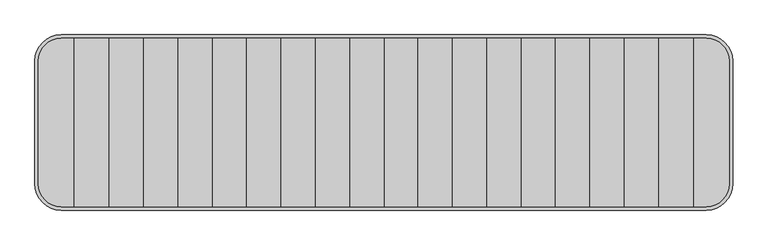
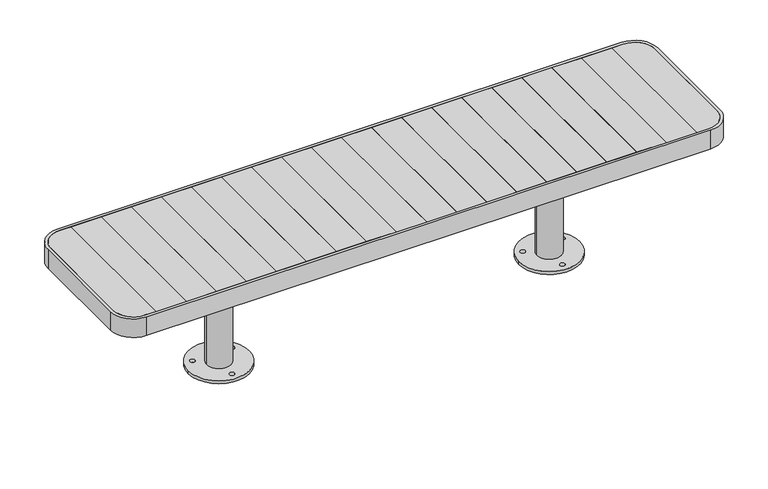
"""IFC4 building model written with IfcOpenShell, lengths in millimetres: furniture geometry."""

from ifc_helpers import new_model, si_unit, point, frame, frame_2d, origin, origin_with_axes, place, context, project, spatial, polyline, circle_curve, trimmed, segment, composite_curve, outline, extrude, source, transform, mapped, element, save
from ifc_brep_helpers import plane_surface, cylinder_surface, advanced_brep


def furniture_f9830a5c(model_context):
    return source(origin(), model_context, "Body", "SolidModel", [
        extrude(outline(polyline([(-789.6, -242.0), (-888.3, -242.0), (-888.3, 242.0), (-789.6, 242.0), (-789.6, -242.0)])), frame((0.0, 0.0, 422.0), z_axis=(0.0, 0.0, 1.0), x_axis=(1.0, 0.0, 0.0)), (0.0, 0.0, 1.0), 28.0),
        extrude(outline(polyline([(-690.9, -242.0), (-789.6, -242.0), (-789.6, 242.0), (-690.9, 242.0), (-690.9, -242.0)])), frame((0.0, 0.0, 422.0), z_axis=(0.0, 0.0, 1.0), x_axis=(1.0, 0.0, 0.0)), (0.0, 0.0, 1.0), 28.0),
        extrude(outline(polyline([(-592.2, -242.0), (-690.9, -242.0), (-690.9, 242.0), (-592.2, 242.0), (-592.2, -242.0)])), frame((0.0, 0.0, 422.0), z_axis=(0.0, 0.0, 1.0), x_axis=(1.0, 0.0, 0.0)), (0.0, 0.0, 1.0), 28.0),
        extrude(outline(polyline([(-493.5, -242.0), (-592.2, -242.0), (-592.2, 242.0), (-493.5, 242.0), (-493.5, -242.0)])), frame((0.0, 0.0, 422.0), z_axis=(0.0, 0.0, 1.0), x_axis=(1.0, 0.0, 0.0)), (0.0, 0.0, 1.0), 28.0),
        extrude(outline(polyline([(-394.8, -242.0), (-493.5, -242.0), (-493.5, 242.0), (-394.8, 242.0), (-394.8, -242.0)])), frame((0.0, 0.0, 422.0), z_axis=(0.0, 0.0, 1.0), x_axis=(1.0, 0.0, 0.0)), (0.0, 0.0, 1.0), 28.0),
        extrude(outline(polyline([(-296.1, -242.0), (-394.8, -242.0), (-394.8, 242.0), (-296.1, 242.0), (-296.1, -242.0)])), frame((0.0, 0.0, 422.0), z_axis=(0.0, 0.0, 1.0), x_axis=(1.0, 0.0, 0.0)), (0.0, 0.0, 1.0), 28.0),
        extrude(outline(composite_curve([segment(polyline([(-991.9176702, -177.0), (-991.9176702, 177.0)]), True, "CONTINUOUS"), segment(trimmed(circle_curve(frame_2d((-926.9176702, 177.0)), 65.0), [point((-991.9176702, 177.0))], [point((-926.9176702, 242.0))], False, "CARTESIAN"), True, "CONTINUOUS"), segment(polyline([(-926.9176702, 242.0), (-888.3, 242.0), (-888.3, -242.0), (-926.9176702, -242.0)]), True, "CONTINUOUS"), segment(trimmed(circle_curve(frame_2d((-926.9176702, -177.0)), 65.0), [point((-926.9176702, -242.0))], [point((-991.9176702, -177.0))], False, "CARTESIAN"), True, "CONTINUOUS")], self_intersect=False)), frame((0.0, 0.0, 422.0), z_axis=(0.0, 0.0, 1.0), x_axis=(1.0, 0.0, 0.0)), (0.0, 0.0, 1.0), 28.0),
        extrude(outline(polyline([(-197.4, -242.0), (-296.1, -242.0), (-296.1, 242.0), (-197.4, 242.0), (-197.4, -242.0)])), frame((0.0, 0.0, 422.0), z_axis=(0.0, 0.0, 1.0), x_axis=(1.0, 0.0, 0.0)), (0.0, 0.0, 1.0), 28.0),
        extrude(outline(polyline([(-98.7, -242.0), (-197.4, -242.0), (-197.4, 242.0), (-98.7, 242.0), (-98.7, -242.0)])), frame((0.0, 0.0, 422.0), z_axis=(0.0, 0.0, 1.0), x_axis=(1.0, 0.0, 0.0)), (0.0, 0.0, 1.0), 28.0),
        extrude(outline(polyline([(0.0, -242.0), (-98.7, -242.0), (-98.7, 242.0), (0.0, 242.0), (0.0, -242.0)])), frame((0.0, 0.0, 422.0), z_axis=(0.0, 0.0, 1.0), x_axis=(1.0, 0.0, 0.0)), (0.0, 0.0, 1.0), 28.0),
        extrude(outline(polyline([(888.3, -242.0), (789.6, -242.0), (789.6, 242.0), (888.3, 242.0), (888.3, -242.0)])), frame((0.0, 0.0, 422.0), z_axis=(0.0, 0.0, 1.0), x_axis=(1.0, 0.0, 0.0)), (0.0, 0.0, 1.0), 28.0),
        extrude(outline(polyline([(789.6, -242.0), (690.9, -242.0), (690.9, 242.0), (789.6, 242.0), (789.6, -242.0)])), frame((0.0, 0.0, 422.0), z_axis=(0.0, 0.0, 1.0), x_axis=(1.0, 0.0, 0.0)), (0.0, 0.0, 1.0), 28.0),
        extrude(outline(polyline([(690.9, -242.0), (592.2, -242.0), (592.2, 242.0), (690.9, 242.0), (690.9, -242.0)])), frame((0.0, 0.0, 422.0), z_axis=(0.0, 0.0, 1.0), x_axis=(1.0, 0.0, 0.0)), (0.0, 0.0, 1.0), 28.0),
        extrude(outline(polyline([(592.2, -242.0), (493.5, -242.0), (493.5, 242.0), (592.2, 242.0), (592.2, -242.0)])), frame((0.0, 0.0, 422.0), z_axis=(0.0, 0.0, 1.0), x_axis=(1.0, 0.0, 0.0)), (0.0, 0.0, 1.0), 28.0),
        extrude(outline(polyline([(493.5, -242.0), (394.8, -242.0), (394.8, 242.0), (493.5, 242.0), (493.5, -242.0)])), frame((0.0, 0.0, 422.0), z_axis=(0.0, 0.0, 1.0), x_axis=(1.0, 0.0, 0.0)), (0.0, 0.0, 1.0), 28.0),
        extrude(outline(polyline([(394.8, -242.0), (296.1, -242.0), (296.1, 242.0), (394.8, 242.0), (394.8, -242.0)])), frame((0.0, 0.0, 422.0), z_axis=(0.0, 0.0, 1.0), x_axis=(1.0, 0.0, 0.0)), (0.0, 0.0, 1.0), 28.0),
        extrude(outline(composite_curve([segment(trimmed(circle_curve(frame_2d((926.9176702, -177.0)), 65.0), [point((991.9176702, -177.0))], [point((926.9176702, -242.0))], False, "CARTESIAN"), True, "CONTINUOUS"), segment(polyline([(926.9176702, -242.0), (888.3, -242.0), (888.3, 242.0), (926.9176702, 242.0)]), True, "CONTINUOUS"), segment(trimmed(circle_curve(frame_2d((926.9176702, 177.0)), 65.0), [point((926.9176702, 242.0))], [point((991.9176702, 177.0))], False, "CARTESIAN"), True, "CONTINUOUS"), segment(polyline([(991.9176702, 177.0), (991.9176702, -177.0)]), True, "CONTINUOUS")], self_intersect=False)), frame((0.0, 0.0, 422.0), z_axis=(0.0, 0.0, 1.0), x_axis=(1.0, 0.0, 0.0)), (0.0, 0.0, 1.0), 28.0),
        extrude(outline(polyline([(296.1, -242.0), (197.4, -242.0), (197.4, 242.0), (296.1, 242.0), (296.1, -242.0)])), frame((0.0, 0.0, 422.0), z_axis=(0.0, 0.0, 1.0), x_axis=(1.0, 0.0, 0.0)), (0.0, 0.0, 1.0), 28.0),
        extrude(outline(polyline([(197.4, -242.0), (98.7, -242.0), (98.7, 242.0), (197.4, 242.0), (197.4, -242.0)])), frame((0.0, 0.0, 422.0), z_axis=(0.0, 0.0, 1.0), x_axis=(1.0, 0.0, 0.0)), (0.0, 0.0, 1.0), 28.0),
        extrude(outline(polyline([(98.7, -242.0), (0.0, -242.0), (0.0, 242.0), (98.7, 242.0), (98.7, -242.0)])), frame((0.0, 0.0, 422.0), z_axis=(0.0, 0.0, 1.0), x_axis=(1.0, 0.0, 0.0)), (0.0, 0.0, 1.0), 28.0),
        extrude(outline(composite_curve([segment(trimmed(circle_curve(frame_2d((542.85, 0.0)), 100.0), [point((642.85, 0.0))], [point((442.85, 0.0))], False, "CARTESIAN"), True, "CONTINUOUS"), segment(trimmed(circle_curve(frame_2d((542.85, 0.0)), 100.0), [point((442.85, 0.0))], [point((642.85, 0.0))], False, "CARTESIAN"), True, "CONTINUOUS")], self_intersect=False), holes=[composite_curve([segment(trimmed(circle_curve(frame_2d((607.8071886, 37.4460209)), 8.0), [point((615.8071886, 37.4460209))], [point((599.8071886, 37.4460209))], True, "CARTESIAN"), True, "CONTINUOUS"), segment(trimmed(circle_curve(frame_2d((607.8071886, 37.4460209)), 8.0), [point((599.8071886, 37.4460209))], [point((615.8071886, 37.4460209))], True, "CARTESIAN"), True, "CONTINUOUS")], self_intersect=False), composite_curve([segment(trimmed(circle_curve(frame_2d((477.8071886, 37.4460209)), 8.0), [point((485.8071886, 37.4460209))], [point((469.8071886, 37.4460209))], True, "CARTESIAN"), True, "CONTINUOUS"), segment(trimmed(circle_curve(frame_2d((477.8071886, 37.4460209)), 8.0), [point((469.8071886, 37.4460209))], [point((485.8071886, 37.4460209))], True, "CARTESIAN"), True, "CONTINUOUS")], self_intersect=False), composite_curve([segment(trimmed(circle_curve(frame_2d((542.8071886, -75.1372816)), 8.0), [point((550.8071886, -75.1372816))], [point((534.8071886, -75.1372816))], True, "CARTESIAN"), True, "CONTINUOUS"), segment(trimmed(circle_curve(frame_2d((542.8071886, -75.1372816)), 8.0), [point((534.8071886, -75.1372816))], [point((550.8071886, -75.1372816))], True, "CARTESIAN"), True, "CONTINUOUS")], self_intersect=False)]), origin_with_axes(), (0.0, 0.0, 1.0), 9.9997207),
        extrude(outline(composite_curve([segment(trimmed(circle_curve(frame_2d((542.8271918, 0.0)), 40.0), [point((582.8271918, 0.0))], [point((502.8271918, 0.0))], False, "CARTESIAN"), True, "CONTINUOUS"), segment(trimmed(circle_curve(frame_2d((542.8271918, 0.0)), 40.0), [point((502.8271918, 0.0))], [point((582.8271918, 0.0))], False, "CARTESIAN"), True, "CONTINUOUS")], self_intersect=False)), origin_with_axes(), (0.0, 0.0, 1.0), 418.0),
        extrude(outline(composite_curve([segment(trimmed(circle_curve(frame_2d((-542.85, 0.0)), 100.0), [point((-642.85, 0.0))], [point((-442.85, 0.0))], False, "CARTESIAN"), True, "CONTINUOUS"), segment(trimmed(circle_curve(frame_2d((-542.85, 0.0)), 100.0), [point((-442.85, 0.0))], [point((-642.85, 0.0))], False, "CARTESIAN"), True, "CONTINUOUS")], self_intersect=False), holes=[composite_curve([segment(trimmed(circle_curve(frame_2d((-607.8071886, 37.4460209)), 8.0), [point((-615.8071886, 37.4460209))], [point((-599.8071886, 37.4460209))], True, "CARTESIAN"), True, "CONTINUOUS"), segment(trimmed(circle_curve(frame_2d((-607.8071886, 37.4460209)), 8.0), [point((-599.8071886, 37.4460209))], [point((-615.8071886, 37.4460209))], True, "CARTESIAN"), True, "CONTINUOUS")], self_intersect=False), composite_curve([segment(trimmed(circle_curve(frame_2d((-477.8071886, 37.4460209)), 8.0), [point((-485.8071886, 37.4460209))], [point((-469.8071886, 37.4460209))], True, "CARTESIAN"), True, "CONTINUOUS"), segment(trimmed(circle_curve(frame_2d((-477.8071886, 37.4460209)), 8.0), [point((-469.8071886, 37.4460209))], [point((-485.8071886, 37.4460209))], True, "CARTESIAN"), True, "CONTINUOUS")], self_intersect=False), composite_curve([segment(trimmed(circle_curve(frame_2d((-542.8071886, -75.1372816)), 8.0), [point((-550.8071886, -75.1372816))], [point((-534.8071886, -75.1372816))], True, "CARTESIAN"), True, "CONTINUOUS"), segment(trimmed(circle_curve(frame_2d((-542.8071886, -75.1372816)), 8.0), [point((-534.8071886, -75.1372816))], [point((-550.8071886, -75.1372816))], True, "CARTESIAN"), True, "CONTINUOUS")], self_intersect=False)]), origin_with_axes(), (0.0, 0.0, 1.0), 9.9997207),
        extrude(outline(composite_curve([segment(trimmed(circle_curve(frame_2d((-542.8271918, 0.0)), 40.0), [point((-582.8271918, 0.0))], [point((-502.8271918, 0.0))], False, "CARTESIAN"), True, "CONTINUOUS"), segment(trimmed(circle_curve(frame_2d((-542.8271918, 0.0)), 40.0), [point((-502.8271918, 0.0))], [point((-582.8271918, 0.0))], False, "CARTESIAN"), True, "CONTINUOUS")], self_intersect=False)), origin_with_axes(), (0.0, 0.0, 1.0), 418.0),
        advanced_brep(
        [(-991.9176702, 177.0, 422.0), (-991.9176702, -177.0, 422.0), (-926.9176702, -242.0, 422.0), (926.9176702, -242.0, 422.0), (991.9176702, -177.0, 422.0), (991.9176702, 177.0, 422.0), (926.9176702, 242.0, 422.0), (-926.9176702, 242.0, 422.0), (893.3, 141.9868511, 422.0), (893.3, -142.0, 422.0), (583.3785308, -142.0, 422.0), (583.3785308, 142.0, 422.0), (-893.3, -142.0, 422.0), (-893.3, 141.9868511, 422.0), (-583.3785308, 141.9868511, 422.0), (-583.3785308, -142.0, 422.0), (-502.3618569, 141.9868511, 422.0), (502.3618569, 141.9868511, 422.0), (502.3618569, -142.0, 422.0), (-502.3618569, -142.0, 422.0), (-991.9176702, 177.0, 418.0), (-926.9176702, 242.0, 418.0), (926.9176702, 242.0, 418.0), (991.9176702, 177.0, 418.0), (991.9176702, -177.0, 418.0), (926.9176702, -242.0, 418.0), (-926.9176702, -242.0, 418.0), (-991.9176702, -177.0, 418.0), (893.3, -142.0, 418.0), (893.3, 141.9868511, 418.0), (583.3785308, 141.9868511, 418.0), (583.3785308, -142.0, 418.0), (-893.3, 141.9868511, 418.0), (-893.3, -142.0, 418.0), (-583.3785308, -142.0, 418.0), (-583.3785308, 142.0, 418.0), (-502.3618569, -142.0, 418.0), (502.3618569, -142.0, 418.0), (502.3618569, 142.0, 418.0), (-502.3618569, 141.9868511, 418.0)],
        [
            (0, 1),
            (1, 2, circle_curve(frame((-926.9176702, -177.0, 422.0), z_axis=(0.0, 0.0, 1.0), x_axis=(1.0, 0.0, 0.0)), 65.0)),
            (2, 3),
            (3, 4, circle_curve(frame((926.9176702, -177.0, 422.0), z_axis=(0.0, 0.0, 1.0), x_axis=(-1.0, 0.0, 0.0)), 65.0)),
            (4, 5),
            (5, 6, circle_curve(frame((926.9176702, 177.0, 422.0), z_axis=(0.0, 0.0, 1.0), x_axis=(-1.0, 0.0, 0.0)), 65.0)),
            (6, 7),
            (7, 0, circle_curve(frame((-926.9176702, 177.0, 422.0), z_axis=(0.0, 0.0, 1.0), x_axis=(1.0, 0.0, 0.0)), 65.0)),
            (8, 9),
            (9, 10),
            (10, 11),
            (11, 8),
            (12, 13),
            (13, 14),
            (14, 15),
            (15, 12),
            (16, 17),
            (17, 18),
            (18, 19),
            (19, 16),
            (20, 21, circle_curve(frame((-926.9176702, 177.0, 418.0), z_axis=(0.0, 0.0, -1.0), x_axis=(1.0, 0.0, 0.0)), 65.0)),
            (21, 22),
            (22, 23, circle_curve(frame((926.9176702, 177.0, 418.0), z_axis=(0.0, 0.0, -1.0), x_axis=(-1.0, 0.0, 0.0)), 65.0)),
            (23, 24),
            (24, 25, circle_curve(frame((926.9176702, -177.0, 418.0), z_axis=(0.0, 0.0, -1.0), x_axis=(-1.0, 0.0, 0.0)), 65.0)),
            (25, 26),
            (26, 27, circle_curve(frame((-926.9176702, -177.0, 418.0), z_axis=(0.0, 0.0, -1.0), x_axis=(1.0, 0.0, 0.0)), 65.0)),
            (27, 20),
            (28, 29),
            (29, 30),
            (30, 31),
            (31, 28),
            (32, 33),
            (33, 34),
            (34, 35),
            (35, 32),
            (36, 37),
            (37, 38),
            (38, 39),
            (39, 36),
            (0, 20),
            (27, 1),
            (26, 2),
            (25, 3),
            (24, 4),
            (23, 5),
            (22, 6),
            (21, 7),
            (29, 8),
            (11, 30),
            (13, 32),
            (35, 14),
            (16, 39),
            (38, 17),
            (28, 9),
            (31, 10),
            (33, 12),
            (15, 34),
            (36, 19),
            (18, 37),
        ],
        [
            plane_surface(frame((-991.9176702, -177.0, 422.0), z_axis=(0.0, 0.0, 1.0), x_axis=(0.0, -1.0, 0.0))),
            plane_surface(frame((-991.9176702, -177.0, 418.0), z_axis=(0.0, 0.0, -1.0), x_axis=(0.0, 1.0, 0.0))),
            plane_surface(frame((-991.9176702, 177.0, 422.0), z_axis=(-1.0, 0.0, 0.0), x_axis=(0.0, 0.0, -1.0))),
            cylinder_surface(frame((-926.9176702, -177.0, 418.0), z_axis=(0.0, 0.0, 1.0), x_axis=(1.0, 0.0, 0.0)), 65.0),
            plane_surface(frame((-926.9176702, -242.0, 422.0), z_axis=(0.0, -1.0, 0.0), x_axis=(0.0, 0.0, -1.0))),
            cylinder_surface(frame((926.9176702, -177.0, 418.0), z_axis=(0.0, 0.0, 1.0), x_axis=(-1.0, 0.0, 0.0)), 65.0),
            plane_surface(frame((991.9176702, -177.0, 422.0), z_axis=(1.0, 0.0, 0.0), x_axis=(0.0, 0.0, -1.0))),
            cylinder_surface(frame((926.9176702, 177.0, 418.0), z_axis=(0.0, 0.0, 1.0), x_axis=(-1.0, 0.0, 0.0)), 65.0),
            plane_surface(frame((926.9176702, 242.0, 422.0), z_axis=(0.0, 1.0, 0.0), x_axis=(0.0, 0.0, -1.0))),
            cylinder_surface(frame((-926.9176702, 177.0, 418.0), z_axis=(0.0, 0.0, 1.0), x_axis=(1.0, 0.0, 0.0)), 65.0),
            plane_surface(frame((-893.3, 141.9868511, 422.0), z_axis=(0.0, -1.0, 0.0), x_axis=(0.0, 0.0, -1.0))),
            plane_surface(frame((893.3, 141.9868511, 422.0), z_axis=(-1.0, 0.0, 0.0), x_axis=(0.0, 0.0, -1.0))),
            plane_surface(frame((893.3, -142.0, 422.0), z_axis=(0.0, 1.0, 0.0), x_axis=(0.0, 0.0, -1.0))),
            plane_surface(frame((-893.3, -142.0, 422.0), z_axis=(1.0, 0.0, 0.0), x_axis=(0.0, 0.0, -1.0))),
            plane_surface(frame((-583.3785308, -142.0, 422.0), z_axis=(-1.0, 0.0, 0.0), x_axis=(0.0, 1.0, 0.0))),
            plane_surface(frame((-502.3618569, -142.0, 418.0), z_axis=(1.0, 0.0, 0.0), x_axis=(0.0, 1.0, 0.0))),
            plane_surface(frame((583.3785308, -142.0, 418.0), z_axis=(1.0, 0.0, 0.0), x_axis=(0.0, 1.0, 0.0))),
            plane_surface(frame((502.3618569, -142.0, 422.0), z_axis=(-1.0, 0.0, 0.0), x_axis=(0.0, 1.0, 0.0))),
        ],
        [
            (0, [[1, 2, 3, 4, 5, 6, 7, 8], [9, 10, 11, 12], [13, 14, 15, 16], [17, 18, 19, 20]]),
            (1, [[21, 22, 23, 24, 25, 26, 27, 28], [29, 30, 31, 32], [33, 34, 35, 36], [37, 38, 39, 40]]),
            (2, [[-1, 41, -28, 42]]),
            (3, [[-2, -42, -27, 43]]),
            (4, [[-3, -43, -26, 44]]),
            (5, [[-4, -44, -25, 45]]),
            (6, [[-5, -45, -24, 46]]),
            (7, [[-6, -46, -23, 47]]),
            (8, [[-7, -47, -22, 48]]),
            (9, [[-8, -48, -21, -41]]),
            (10, [[49, -12, 50, -30]]),
            (10, [[51, -36, 52, -14]]),
            (10, [[53, -39, 54, -17]]),
            (11, [[-9, -49, -29, 55]]),
            (12, [[-55, -32, 56, -10]]),
            (12, [[57, -16, 58, -34]]),
            (12, [[59, -19, 60, -37]]),
            (13, [[-13, -57, -33, -51]]),
            (14, [[-35, -58, -15, -52]]),
            (15, [[-40, -53, -20, -59]]),
            (16, [[-31, -50, -11, -56]]),
            (17, [[-38, -60, -18, -54]]),
        ],
    ),
        extrude(outline(composite_curve([segment(polyline([(-1001.9176702, -177.0), (-1001.9176702, 177.0)]), True, "CONTINUOUS"), segment(trimmed(circle_curve(frame_2d((-926.9176702, 177.0)), 75.0), [point((-1001.9176702, 177.0))], [point((-926.9176702, 252.0))], False, "CARTESIAN"), True, "CONTINUOUS"), segment(polyline([(-926.9176702, 252.0), (926.9176702, 252.0)]), True, "CONTINUOUS"), segment(trimmed(circle_curve(frame_2d((926.9176702, 177.0)), 75.0), [point((926.9176702, 252.0))], [point((1001.9176702, 177.0))], False, "CARTESIAN"), True, "CONTINUOUS"), segment(polyline([(1001.9176702, 177.0), (1001.9176702, -177.0)]), True, "CONTINUOUS"), segment(trimmed(circle_curve(frame_2d((926.9176702, -177.0)), 75.0), [point((1001.9176702, -177.0))], [point((926.9176702, -252.0))], False, "CARTESIAN"), True, "CONTINUOUS"), segment(polyline([(926.9176702, -252.0), (-926.9176702, -252.0)]), True, "CONTINUOUS"), segment(trimmed(circle_curve(frame_2d((-926.9176702, -177.0)), 75.0), [point((-926.9176702, -252.0))], [point((-1001.9176702, -177.0))], False, "CARTESIAN"), True, "CONTINUOUS")], self_intersect=False), holes=[composite_curve([segment(trimmed(circle_curve(frame_2d((-926.9176702, -177.0)), 65.0), [point((-991.9176702, -177.0))], [point((-926.9176702, -242.0))], True, "CARTESIAN"), True, "CONTINUOUS"), segment(polyline([(-926.9176702, -242.0), (926.9176702, -242.0)]), True, "CONTINUOUS"), segment(trimmed(circle_curve(frame_2d((926.9176702, -177.0)), 65.0), [point((926.9176702, -242.0))], [point((991.9176702, -177.0))], True, "CARTESIAN"), True, "CONTINUOUS"), segment(polyline([(991.9176702, -177.0), (991.9176702, 177.0)]), True, "CONTINUOUS"), segment(trimmed(circle_curve(frame_2d((926.9176702, 177.0)), 65.0), [point((991.9176702, 177.0))], [point((926.9176702, 242.0))], True, "CARTESIAN"), True, "CONTINUOUS"), segment(polyline([(926.9176702, 242.0), (-926.9176702, 242.0)]), True, "CONTINUOUS"), segment(trimmed(circle_curve(frame_2d((-926.9176702, 177.0)), 65.0), [point((-926.9176702, 242.0))], [point((-991.9176702, 177.0))], True, "CARTESIAN"), True, "CONTINUOUS"), segment(polyline([(-991.9176702, 177.0), (-991.9176702, -177.0)]), True, "CONTINUOUS")], self_intersect=False)]), frame((0.0, 0.0, 385.0000413), z_axis=(0.0, 0.0, 1.0), x_axis=(1.0, 0.0, 0.0)), (0.0, 0.0, 1.0), 64.9999587),
    ])


if __name__ == "__main__":
    model = new_model("IFC4")
    model_context = context("Model", 3, world=origin())
    ifc_project = project(units=[si_unit("LENGTHUNIT", "METRE", prefix="MILLI")], contexts=[model_context])
    site = spatial("IfcSite", under=ifc_project)
    building = spatial("IfcBuilding", under=site)
    placement = place(None, origin())
    furniture_shape = furniture_f9830a5c(model_context)
    element("IfcFurniture", 1, at=placement, inside=building, context=model_context, shape_type="MappedRepresentation", body=[
        mapped(furniture_shape, transform((0.0, 0.0, 0.0), x_axis=(1.0, 0.0, 0.0), y_axis=(0.0, 1.0, 0.0), z_axis=(0.0, 0.0, 1.0))),
    ])
    save(model, "model.ifc")
